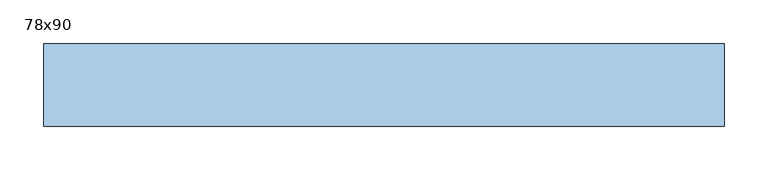
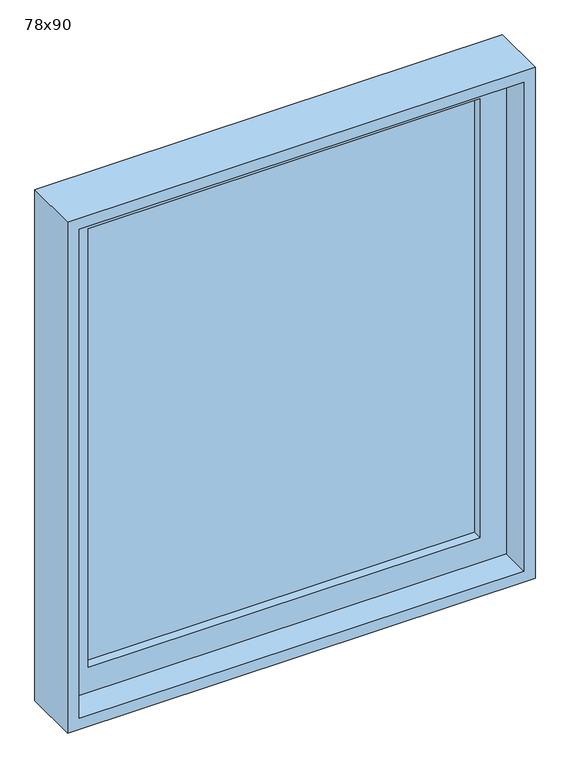
"""IFC4 building model written with IfcOpenShell, lengths in millimetres: window geometry, 78x90."""

from ifc_helpers import new_model, si_unit, frame, origin, place, context, project, spatial, polyline, outline, extrude, source, transform, mapped, element, save


def window_78x90_2c6a38da(model_context):
    return source(origin(), model_context, "Body", "SweptSolid", [
        extrude(outline(polyline([(288.4, -71.425), (288.4, -84.125), (-364.6, -84.125), (-364.6, -71.425), (288.4, -71.425)])), frame((0.0, 0.0, 977.9), z_axis=(0.0, 0.0, 1.0), x_axis=(1.0, 0.0, 0.0)), (0.0, 0.0, 1.0), 773.0),
        extrude(outline(polyline([(1795.35, -409.05), (933.45, -409.05), (933.45, 332.85), (1795.35, 332.85), (1795.35, -409.05)]), holes=[polyline([(1750.9, -364.6), (1750.9, 288.4), (977.9, 288.4), (977.9, -364.6), (1750.9, -364.6)])]), frame((0.0, -100.0, 0.0), z_axis=(0.0, 1.0, 0.0), x_axis=(0.0, 0.0, 1.0)), (0.0, 0.0, 1.0), 44.45),
        extrude(outline(polyline([(1814.4, 351.9), (1814.4, -428.1), (914.4, -428.1), (914.4, 351.9), (1814.4, 351.9)]), holes=[polyline([(1795.35, 332.85), (933.45, 332.85), (933.45, -409.05), (1795.35, -409.05), (1795.35, 332.85)])]), frame((0.0, -150.0, 0.0), z_axis=(0.0, 1.0, 0.0), x_axis=(0.0, 0.0, 1.0)), (0.0, 0.0, 1.0), 94.45),
    ])


if __name__ == "__main__":
    model = new_model("IFC4")
    model_context = context("Model", 3, world=origin())
    ifc_project = project(units=[si_unit("LENGTHUNIT", "METRE", prefix="MILLI")], contexts=[model_context])
    site = spatial("IfcSite", under=ifc_project)
    building = spatial("IfcBuilding", under=site)
    placement = place(None, origin())
    window_78x90_shape = window_78x90_2c6a38da(model_context)
    element("IfcWindow", 1, ObjectType="78x90", at=placement, inside=building, context=model_context, shape_type="MappedRepresentation", body=[
        mapped(window_78x90_shape, transform((0.0, 0.0, 0.0), x_axis=(1.0, 0.0, 0.0), y_axis=(0.0, 1.0, 0.0), z_axis=(0.0, 0.0, 1.0))),
    ])
    save(model, "model.ifc")
